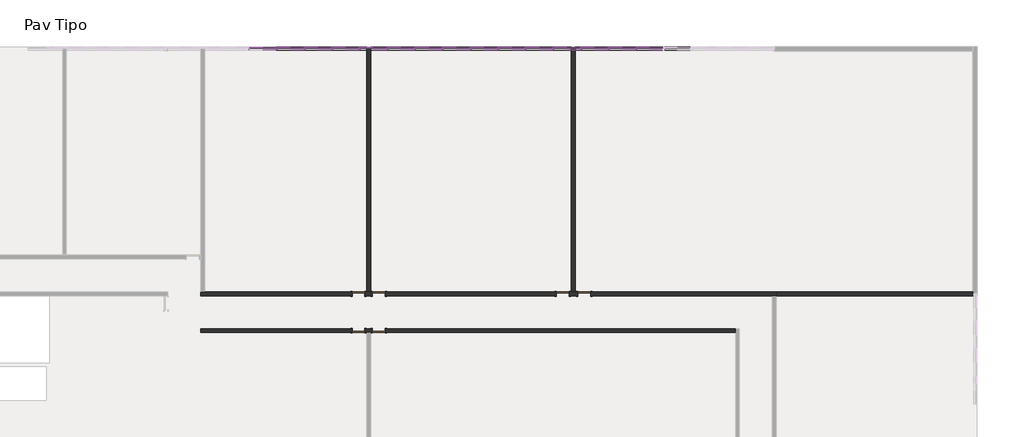
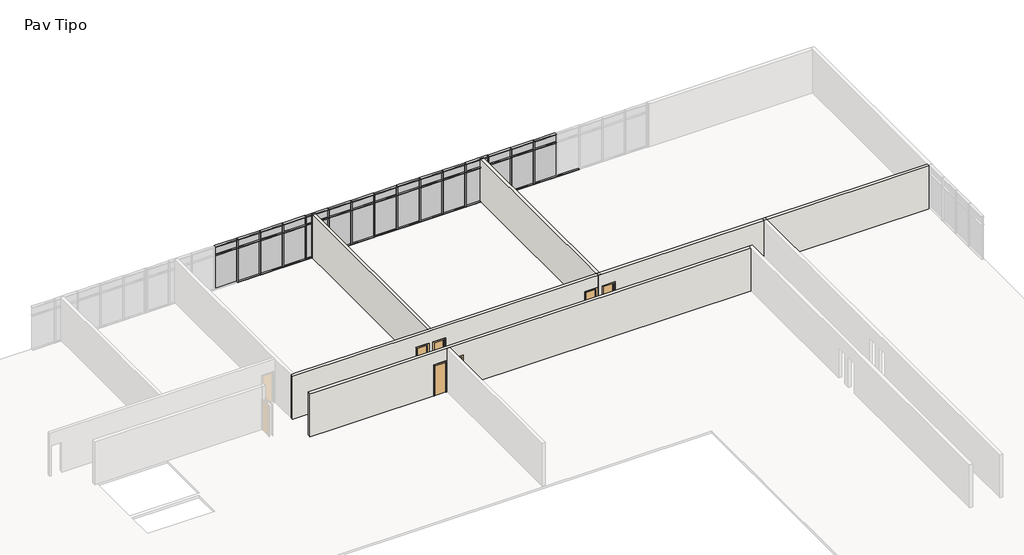
# One storey, part 11 of 12: 73 members, 30 plates, 6 doors, 5 walls.
"""IFC4 building model written with IfcOpenShell, lengths in millimetres."""

import ifcopenshell
import ifcopenshell.guid

model = None  # the IFC model being written
_history = None  # IfcOwnerHistory: only IFC2X3 demands one
_inside = {}  # id of a spatial element -> (the spatial element, [elements in it])
_under = {}  # id of a project, library or spatial element -> (it, [spatial elements below it])
_declared = {}  # id of a project -> (the project, [libraries it declares])
_typed = {}  # id of a type object -> (the type object, [elements of that type])
_made_of = {}  # id of a material, layer set ... -> (it, [elements and type objects made of it])


def new_model(schema):
    """Start an empty IFC model of exactly this schema.

    Asked for "IFC4X3", IfcOpenShell would pick the latest addendum, in which some entities
    have other attributes; the version numbers below select the first issue.
    IFC2X3 requires an IfcOwnerHistory on every rooted entity: one is made here for all.
    """
    global model, _history
    if schema == "IFC4X3":
        model = ifcopenshell.file(schema_version=(4, 3, 0, 0))
    else:
        model = ifcopenshell.file(schema=schema)
    _inside.clear()
    _under.clear()
    _declared.clear()
    _typed.clear()
    _made_of.clear()
    _history = None
    if model.schema == "IFC2X3":
        org = make("IfcOrganization", Name="unknown")
        user = make(
            "IfcPersonAndOrganization",
            ThePerson=make("IfcPerson", FamilyName="unknown"),
            TheOrganization=org,
        )
        app = make(
            "IfcApplication",
            ApplicationDeveloper=org,
            Version="unknown",
            ApplicationFullName="unknown",
            ApplicationIdentifier="unknown",
        )
        _history = make(
            "IfcOwnerHistory",
            OwningUser=user,
            OwningApplication=app,
            ChangeAction="ADDED",
            CreationDate=0,
        )
    return model


def make(cls, **values):
    """One entity of the class cls with the attributes given. An attribute that is None is left unset."""
    return model.create_entity(
        cls, **{name: value for name, value in values.items() if value is not None}
    )


def rooted(cls, **values):
    """An entity with a GlobalId (a new one), such as an element, a storey or a relation."""
    return make(cls, GlobalId=ifcopenshell.guid.new(), OwnerHistory=_history, **values)


def si_unit(unit_type, name, prefix=None):
    """IfcSIUnit, for example si_unit("LENGTHUNIT", "METRE", prefix="MILLI")."""
    return make("IfcSIUnit", UnitType=unit_type, Prefix=prefix, Name=name)


def assignment(units):
    """IfcUnitAssignment: the units of a project."""
    return None if units is None else make("IfcUnitAssignment", Units=units)


def point(xyz):
    """IfcCartesianPoint."""
    return None if xyz is None else make("IfcCartesianPoint", Coordinates=xyz)


def direction(xyz):
    """IfcDirection."""
    return None if xyz is None else make("IfcDirection", DirectionRatios=xyz)


def frame(location, z_axis=None, x_axis=None):
    """IfcAxis2Placement3D, a coordinate frame: its origin and axes. An axis left out is left unset."""
    return make(
        "IfcAxis2Placement3D",
        Location=point(location),
        Axis=direction(z_axis),
        RefDirection=direction(x_axis),
    )


def origin():
    """The frame at (0, 0, 0) with its axes left unset."""
    return frame((0.0, 0.0, 0.0))


def origin_with_axes():
    """The frame at (0, 0, 0) with the z axis (0, 0, 1) and the x axis (1, 0, 0) written out."""
    return frame((0.0, 0.0, 0.0), z_axis=(0.0, 0.0, 1.0), x_axis=(1.0, 0.0, 0.0))


def place(relative_to, where):
    """IfcLocalPlacement: puts the frame where relative to a parent placement (None: the world)."""
    return make(
        "IfcLocalPlacement", PlacementRelTo=relative_to, RelativePlacement=where
    )


def context(
    kind, dimensions, precision=None, world=None, true_north=None, identifier=None
):
    """IfcGeometricRepresentationContext, for example the 3D "Model" context."""
    return make(
        "IfcGeometricRepresentationContext",
        ContextIdentifier=identifier,
        ContextType=kind,
        CoordinateSpaceDimension=dimensions,
        Precision=precision,
        WorldCoordinateSystem=world,
        TrueNorth=true_north,
    )


def project(units=None, contexts=None):
    """IfcProject with its units and contexts."""
    return rooted(
        "IfcProject",
        Name="project",
        RepresentationContexts=contexts,
        UnitsInContext=assignment(units),
    )


def spatial(cls, under=None, at=None, **own):
    """A site, building, storey or space (cls), placed at a placement, below another one or the project."""
    s = rooted(cls, ObjectPlacement=at, **own)
    if under is not None:
        _under.setdefault(under.id(), (under, []))[1].append(s)
    return s


def polyline(points):
    """IfcPolyline through the points."""
    return make("IfcPolyline", Points=[point(p) for p in points])


def outline(outer, holes=None, kind="AREA"):
    """IfcArbitraryClosedProfileDef: a profile drawn as a closed curve; with holes, ...WithVoids."""
    if holes is None:
        return make("IfcArbitraryClosedProfileDef", ProfileType=kind, OuterCurve=outer)
    return make(
        "IfcArbitraryProfileDefWithVoids",
        ProfileType=kind,
        OuterCurve=outer,
        InnerCurves=holes,
    )


def extrude(swept, where, along, depth):
    """IfcExtrudedAreaSolid: the profile swept, set in the frame where, extruded along a direction by depth."""
    return make(
        "IfcExtrudedAreaSolid",
        SweptArea=swept,
        Position=where,
        ExtrudedDirection=direction(along),
        Depth=depth,
    )


def faces_of(points, faces, orient=None, outer=None):
    """IfcFace entities. A face is a list of loops; a loop is a list of indices into points, from 0.

    orient and outer hold one flag for each loop. By default every Orientation is true, the
    first loop of a face is its IfcFaceOuterBound and the others are IfcFaceBound.
    """
    made = []
    for i, loops in enumerate(faces):
        bounds = []
        for j, loop in enumerate(loops):
            is_outer = j == 0 if outer is None else outer[i][j]
            bounds.append(
                make(
                    "IfcFaceOuterBound" if is_outer else "IfcFaceBound",
                    Bound=make("IfcPolyLoop", Polygon=[points[k] for k in loop]),
                    Orientation=True if orient is None else orient[i][j],
                )
            )
        made.append(make("IfcFace", Bounds=bounds))
    return made


def faceted_brep(points, faces, orient=None, outer=None, voids=None):
    """IfcFacetedBrep: a solid bounded by flat faces; with voids (closed shells), ...WithVoids."""
    shared = [point(p) for p in points]
    hull = make("IfcClosedShell", CfsFaces=faces_of(shared, faces, orient, outer))
    if voids is None:
        return make("IfcFacetedBrep", Outer=hull)
    return make(
        "IfcFacetedBrepWithVoids",
        Outer=hull,
        Voids=[
            make(cls, CfsFaces=faces_of(shared, fs, o, b)) for cls, fs, o, b in voids
        ],
    )


def shape(context_of_items, identifier, shape_type, items):
    """IfcShapeRepresentation: the items that make up one representation, for example the "Body"."""
    return make(
        "IfcShapeRepresentation",
        ContextOfItems=context_of_items,
        RepresentationIdentifier=identifier,
        RepresentationType=shape_type,
        Items=items,
    )


def source(mapping_origin, context_of_items, identifier, shape_type, items):
    """IfcRepresentationMap: a shape defined once, which mapped items show again and again."""
    return make(
        "IfcRepresentationMap",
        MappingOrigin=mapping_origin,
        MappedRepresentation=shape(context_of_items, identifier, shape_type, items),
    )


def transform(
    local_origin,
    x_axis=None,
    y_axis=None,
    z_axis=None,
    scale=None,
    scale2=None,
    scale3=None,
    uniform=True,
):
    """IfcCartesianTransformationOperator3D, or its non-uniform kind. x_axis, y_axis, z_axis: its Axis1, 2, 3."""
    if uniform:
        return make(
            "IfcCartesianTransformationOperator3D",
            Axis1=direction(x_axis),
            Axis2=direction(y_axis),
            LocalOrigin=point(local_origin),
            Scale=scale,
            Axis3=direction(z_axis),
        )
    return make(
        "IfcCartesianTransformationOperator3DnonUniform",
        Axis1=direction(x_axis),
        Axis2=direction(y_axis),
        LocalOrigin=point(local_origin),
        Scale=scale,
        Axis3=direction(z_axis),
        Scale2=scale2,
        Scale3=scale3,
    )


def mapped(mapping_source, mapping_target):
    """IfcMappedItem: shows the shape of a source again, moved by a transform."""
    return make(
        "IfcMappedItem", MappingSource=mapping_source, MappingTarget=mapping_target
    )


def made_of(thing, what):
    """Note that an element or type object is made of a material, layer set ...; save() writes the relation."""
    if what is not None:
        _made_of.setdefault(what.id(), (what, []))[1].append(thing)
    return thing


def element(
    cls,
    number,
    at=None,
    inside=None,
    cuts=None,
    type_object=None,
    material=None,
    context=None,
    identifier="Body",
    shape_type=None,
    held_by="IfcProductDefinitionShape",
    body=None,
    shapes=None,
    **own,
):
    """One element of the class cls, such as IfcWall. Its Tag is "e" and its number.

    at: its placement. inside: the storey or other place that contains it. cuts: it is an
    opening in that element (IfcRelVoidsElement). A single representation is given by context,
    identifier, shape_type and body (its items); several are given by shapes. held_by: the class
    of the entity that holds the representations. save() writes the other relations.
    """
    e = rooted(cls, Tag="e%d" % number, ObjectPlacement=at, **own)
    if body is not None:
        shapes = [shape(context, identifier, shape_type, body)]
    if shapes is not None:
        e.Representation = make(held_by, Representations=shapes)
    if inside is not None:
        _inside.setdefault(inside.id(), (inside, []))[1].append(e)
    if cuts is not None:
        rooted(
            "IfcRelVoidsElement", RelatingBuildingElement=cuts, RelatedOpeningElement=e
        )
    if type_object is not None:
        _typed.setdefault(type_object.id(), (type_object, []))[1].append(e)
    return made_of(e, material)


def aggregate(whole, parts):
    """IfcRelAggregates: a whole, such as a stair, and the parts it consists of."""
    return rooted("IfcRelAggregates", RelatingObject=whole, RelatedObjects=parts)


def save(model, path):
    """Write the relations noted so far, then the file.

    IfcRelAggregates (storeys below a building ...), IfcRelContainedInSpatialStructure (elements
    in a storey), IfcRelDefinesByType, IfcRelAssociatesMaterial and IfcRelDeclares: one each for
    every whole, place, type object, material and project.
    """
    for whole, parts in _under.values():
        aggregate(whole, parts)
    for where, things in _inside.values():
        rooted(
            "IfcRelContainedInSpatialStructure",
            RelatedElements=things,
            RelatingStructure=where,
        )
    for kind, things in _typed.values():
        rooted("IfcRelDefinesByType", RelatedObjects=things, RelatingType=kind)
    for what, things in _made_of.values():
        rooted("IfcRelAssociatesMaterial", RelatedObjects=things, RelatingMaterial=what)
    for by, libraries in _declared.values():
        rooted("IfcRelDeclares", RelatingContext=by, RelatedDefinitions=libraries)
    model.write(path)


def m_single_flush_porta_70_94af1243(model_context):
    return source(origin(), model_context, "Body", "SweptSolid", [
        extrude(outline(polyline([(2176.0, -426.0), (0.0, -426.0), (0.0, -350.0), (2100.0, -350.0), (2100.0, 350.0), (0.0, 350.0), (0.0, 426.0), (2176.0, 426.0), (2176.0, -426.0)])), frame((0.0, 100.0, 0.0), z_axis=(0.0, 1.0, 0.0), x_axis=(0.0, 0.0, 1.0)), (0.0, 0.0, 1.0), 25.0),
        extrude(outline(polyline([(2176.0, 426.0), (2176.0, -426.0), (0.0, -426.0), (0.0, -350.0), (2100.0, -350.0), (2100.0, 350.0), (0.0, 350.0), (0.0, 426.0), (2176.0, 426.0)])), frame((0.0, -125.0, 0.0), z_axis=(0.0, 1.0, 0.0), x_axis=(0.0, 0.0, 1.0)), (0.0, 0.0, 1.0), 25.0),
        extrude(outline(polyline([(350.0, 49.0), (-350.0, 49.0), (-350.0, 100.0), (350.0, 100.0), (350.0, 49.0)])), origin_with_axes(), (0.0, 0.0, 1.0), 2100.0),
    ])


def m_single_flush_porta_70_b827da78(model_context):
    return source(origin(), model_context, "Body", "SweptSolid", [
        extrude(outline(polyline([(2176.0, -426.0), (0.0, -426.0), (0.0, -350.0), (2100.0, -350.0), (2100.0, 350.0), (0.0, 350.0), (0.0, 426.0), (2176.0, 426.0), (2176.0, -426.0)])), frame((0.0, -125.0, 0.0), z_axis=(0.0, 1.0, 0.0), x_axis=(0.0, 0.0, 1.0)), (0.0, 0.0, 1.0), 25.0),
        extrude(outline(polyline([(2176.0, 426.0), (2176.0, -426.0), (0.0, -426.0), (0.0, -350.0), (2100.0, -350.0), (2100.0, 350.0), (0.0, 350.0), (0.0, 426.0), (2176.0, 426.0)])), frame((0.0, 100.0, 0.0), z_axis=(0.0, 1.0, 0.0), x_axis=(0.0, 0.0, 1.0)), (0.0, 0.0, 1.0), 25.0),
        extrude(outline(polyline([(350.0, -49.0), (350.0, -100.0), (-350.0, -100.0), (-350.0, -49.0), (350.0, -49.0)])), origin_with_axes(), (0.0, 0.0, 1.0), 2100.0),
    ])


def rectangular_mullion_50_x_150mm_6225e4e3(model_context):
    return source(origin(), model_context, "Body", "SweptSolid", [
        extrude(outline(polyline([(25.0, 75.0), (25.0, -75.0), (-25.0, -75.0), (-25.0, 75.0), (25.0, 75.0)])), frame((0.0, 0.0, -2400.0), z_axis=(0.0, 0.0, 1.0), x_axis=(1.0, 0.0, 0.0)), (0.0, 0.0, 1.0), 2400.0),
    ])


def rectangular_mullion_50_x_150mm_5a145be0(model_context):
    return source(origin(), model_context, "Body", "SweptSolid", [
        extrude(outline(polyline([(0.0, 75.0), (0.0, -75.0), (-50.0, -75.0), (-50.0, 75.0), (0.0, 75.0)])), frame((0.0, 0.0, -1450.0), z_axis=(0.0, 0.0, 1.0), x_axis=(1.0, 0.0, 0.0)), (0.0, 0.0, 1.0), 1450.0),
    ])


def rectangular_mullion_50_x_150mm_f0154c62(model_context):
    return source(origin(), model_context, "Body", "SweptSolid", [
        extrude(outline(polyline([(25.0, 75.0), (25.0, -75.0), (-25.0, -75.0), (-25.0, 75.0), (25.0, 75.0)])), frame((0.0, 0.0, -1450.0), z_axis=(0.0, 0.0, 1.0), x_axis=(1.0, 0.0, 0.0)), (0.0, 0.0, 1.0), 1450.0),
    ])


def rectangular_mullion_50_x_150mm_68b3818a(model_context):
    return source(origin(), model_context, "Body", "SweptSolid", [
        extrude(outline(polyline([(25.0, 75.0), (25.0, -75.0), (-25.0, -75.0), (-25.0, 75.0), (25.0, 75.0)])), frame((0.0, 0.0, -600.0), z_axis=(0.0, 0.0, 1.0), x_axis=(1.0, 0.0, 0.0)), (0.0, 0.0, 1.0), 600.0),
    ])


def system_panel_glazed_8ab755ad(model_context):
    return source(origin(), model_context, "Body", "SweptSolid", [
        extrude(outline(polyline([(725.0, 24.5), (-725.0, 24.5), (-725.0, 49.5), (725.0, 49.5), (725.0, 24.5)])), origin_with_axes(), (0.0, 0.0, 1.0), 2325.0),
    ])


def system_panel_glazed_0c7632f4(model_context):
    return source(origin(), model_context, "Body", "SweptSolid", [
        extrude(outline(polyline([(725.0, 24.5), (-725.0, 24.5), (-725.0, 49.5), (725.0, 49.5), (725.0, 24.5)])), origin_with_axes(), (0.0, 0.0, 1.0), 525.0),
    ])


model = new_model("IFC4")

# Units and contexts
model_context = context("Model", 3, world=origin())
ifc_project = project(units=[si_unit("LENGTHUNIT", "METRE", prefix="MILLI")], contexts=[model_context])

# Site, building, storey
site = spatial("IfcSite", under=ifc_project)
building = spatial("IfcBuilding", under=site)
storey = spatial("IfcBuildingStorey", under=building, Name="Pav Tipo", Elevation=7000.0)

# Doors
placement = place(None, origin())
m_single_flush_porta_70_shape = m_single_flush_porta_70_94af1243(model_context)
element("IfcDoor", 1, ObjectType="M_Single-Flush : porta 70", at=placement, inside=storey, context=model_context, shape_type="MappedRepresentation", body=[
    mapped(m_single_flush_porta_70_shape, transform((19787.6359883, 34582.429968, 7000.0), x_axis=(1.0, 0.0, 0.0), y_axis=(0.0, 1.0, 0.0), z_axis=(0.0, 0.0, 1.0))),
])
element("IfcDoor", 2, ObjectType="M_Single-Flush : porta 70", at=placement, inside=storey, context=model_context, shape_type="MappedRepresentation", body=[
    mapped(m_single_flush_porta_70_shape, transform((30867.6359883, 34582.429968, 7000.0), x_axis=(1.0, 0.0, 0.0), y_axis=(0.0, 1.0, 0.0), z_axis=(0.0, 0.0, 1.0))),
])
element("IfcDoor", 3, ObjectType="M_Single-Flush : porta 70", at=placement, inside=storey, context=model_context, shape_type="MappedRepresentation", body=[
    mapped(m_single_flush_porta_70_shape, transform((20887.6359883, 32582.429968, 7000.0), x_axis=(-1.0, 0.0, 0.0), y_axis=(0.0, -1.0, 0.0), z_axis=(0.0, 0.0, 1.0))),
])
m_single_flush_porta_70_2_shape = m_single_flush_porta_70_b827da78(model_context)
element("IfcDoor", 4, ObjectType="M_Single-Flush : porta 70", at=placement, inside=storey, context=model_context, shape_type="MappedRepresentation", body=[
    mapped(m_single_flush_porta_70_2_shape, transform((20887.6359883, 34582.429968, 7000.0), x_axis=(-1.0, 0.0, 0.0), y_axis=(0.0, -1.0, 0.0), z_axis=(0.0, 0.0, 1.0))),
])
element("IfcDoor", 5, ObjectType="M_Single-Flush : porta 70", at=placement, inside=storey, context=model_context, shape_type="MappedRepresentation", body=[
    mapped(m_single_flush_porta_70_2_shape, transform((32027.6359883, 34582.429968, 7000.0), x_axis=(-1.0, 0.0, 0.0), y_axis=(0.0, -1.0, 0.0), z_axis=(0.0, 0.0, 1.0))),
])
element("IfcDoor", 6, ObjectType="M_Single-Flush : porta 70", at=placement, inside=storey, context=model_context, shape_type="MappedRepresentation", body=[
    mapped(m_single_flush_porta_70_2_shape, transform((19787.6359883, 32582.429968, 7000.0), x_axis=(1.0, 0.0, 0.0), y_axis=(0.0, 1.0, 0.0), z_axis=(0.0, 0.0, 1.0))),
])

# Members
rectangular_mullion_50_x_150mm_shape = rectangular_mullion_50_x_150mm_6225e4e3(model_context)
element("IfcMember", 7, ObjectType="Rectangular Mullion : 50 x 150mm", at=placement, inside=storey, context=model_context, shape_type="MappedRepresentation", body=[
    mapped(rectangular_mullion_50_x_150mm_shape, transform((15337.6359883, 47892.3438207, 7000.0), x_axis=(1.0, 0.0, 0.0), y_axis=(0.0, -1.0, 0.0), z_axis=(0.0, 0.0, -1.0))),
])
element("IfcMember", 8, ObjectType="Rectangular Mullion : 50 x 150mm", at=placement, inside=storey, context=model_context, shape_type="MappedRepresentation", body=[
    mapped(rectangular_mullion_50_x_150mm_shape, transform((16837.6359883, 47892.3438207, 7000.0), x_axis=(1.0, 0.0, 0.0), y_axis=(0.0, -1.0, 0.0), z_axis=(0.0, 0.0, -1.0))),
])
element("IfcMember", 9, ObjectType="Rectangular Mullion : 50 x 150mm", at=placement, inside=storey, context=model_context, shape_type="MappedRepresentation", body=[
    mapped(rectangular_mullion_50_x_150mm_shape, transform((18337.6359883, 47892.3438207, 7000.0), x_axis=(1.0, 0.0, 0.0), y_axis=(0.0, -1.0, 0.0), z_axis=(0.0, 0.0, -1.0))),
])
element("IfcMember", 10, ObjectType="Rectangular Mullion : 50 x 150mm", at=placement, inside=storey, context=model_context, shape_type="MappedRepresentation", body=[
    mapped(rectangular_mullion_50_x_150mm_shape, transform((19837.6359883, 47892.3438207, 7000.0), x_axis=(1.0, 0.0, 0.0), y_axis=(0.0, -1.0, 0.0), z_axis=(0.0, 0.0, -1.0))),
])
element("IfcMember", 11, ObjectType="Rectangular Mullion : 50 x 150mm", at=placement, inside=storey, context=model_context, shape_type="MappedRepresentation", body=[
    mapped(rectangular_mullion_50_x_150mm_shape, transform((21337.6359883, 47892.3438207, 7000.0), x_axis=(1.0, 0.0, 0.0), y_axis=(0.0, -1.0, 0.0), z_axis=(0.0, 0.0, -1.0))),
])
element("IfcMember", 12, ObjectType="Rectangular Mullion : 50 x 150mm", at=placement, inside=storey, context=model_context, shape_type="MappedRepresentation", body=[
    mapped(rectangular_mullion_50_x_150mm_shape, transform((22837.6359883, 47892.3438207, 7000.0), x_axis=(1.0, 0.0, 0.0), y_axis=(0.0, -1.0, 0.0), z_axis=(0.0, 0.0, -1.0))),
])
element("IfcMember", 13, ObjectType="Rectangular Mullion : 50 x 150mm", at=placement, inside=storey, context=model_context, shape_type="MappedRepresentation", body=[
    mapped(rectangular_mullion_50_x_150mm_shape, transform((24337.6359883, 47892.3438207, 7000.0), x_axis=(1.0, 0.0, 0.0), y_axis=(0.0, -1.0, 0.0), z_axis=(0.0, 0.0, -1.0))),
])
element("IfcMember", 14, ObjectType="Rectangular Mullion : 50 x 150mm", at=placement, inside=storey, context=model_context, shape_type="MappedRepresentation", body=[
    mapped(rectangular_mullion_50_x_150mm_shape, transform((25837.6359883, 47892.3438207, 7000.0), x_axis=(1.0, 0.0, 0.0), y_axis=(0.0, -1.0, 0.0), z_axis=(0.0, 0.0, -1.0))),
])
element("IfcMember", 15, ObjectType="Rectangular Mullion : 50 x 150mm", at=placement, inside=storey, context=model_context, shape_type="MappedRepresentation", body=[
    mapped(rectangular_mullion_50_x_150mm_shape, transform((27337.6359883, 47892.3438207, 7000.0), x_axis=(1.0, 0.0, 0.0), y_axis=(0.0, -1.0, 0.0), z_axis=(0.0, 0.0, -1.0))),
])
element("IfcMember", 16, ObjectType="Rectangular Mullion : 50 x 150mm", at=placement, inside=storey, context=model_context, shape_type="MappedRepresentation", body=[
    mapped(rectangular_mullion_50_x_150mm_shape, transform((28837.6359883, 47892.3438207, 7000.0), x_axis=(1.0, 0.0, 0.0), y_axis=(0.0, -1.0, 0.0), z_axis=(0.0, 0.0, -1.0))),
])
element("IfcMember", 17, ObjectType="Rectangular Mullion : 50 x 150mm", at=placement, inside=storey, context=model_context, shape_type="MappedRepresentation", body=[
    mapped(rectangular_mullion_50_x_150mm_shape, transform((30337.6359883, 47892.3438207, 7000.0), x_axis=(1.0, 0.0, 0.0), y_axis=(0.0, -1.0, 0.0), z_axis=(0.0, 0.0, -1.0))),
])
element("IfcMember", 18, ObjectType="Rectangular Mullion : 50 x 150mm", at=placement, inside=storey, context=model_context, shape_type="MappedRepresentation", body=[
    mapped(rectangular_mullion_50_x_150mm_shape, transform((31837.6359883, 47892.3438207, 7000.0), x_axis=(1.0, 0.0, 0.0), y_axis=(0.0, -1.0, 0.0), z_axis=(0.0, 0.0, -1.0))),
])
element("IfcMember", 19, ObjectType="Rectangular Mullion : 50 x 150mm", at=placement, inside=storey, context=model_context, shape_type="MappedRepresentation", body=[
    mapped(rectangular_mullion_50_x_150mm_shape, transform((33337.6359883, 47892.3438207, 7000.0), x_axis=(1.0, 0.0, 0.0), y_axis=(0.0, -1.0, 0.0), z_axis=(0.0, 0.0, -1.0))),
])
element("IfcMember", 20, ObjectType="Rectangular Mullion : 50 x 150mm", at=placement, inside=storey, context=model_context, shape_type="MappedRepresentation", body=[
    mapped(rectangular_mullion_50_x_150mm_shape, transform((34837.6359883, 47892.3438207, 7000.0), x_axis=(1.0, 0.0, 0.0), y_axis=(0.0, -1.0, 0.0), z_axis=(0.0, 0.0, -1.0))),
])
rectangular_mullion_50_x_150mm_2_shape = rectangular_mullion_50_x_150mm_5a145be0(model_context)
element("IfcMember", 21, ObjectType="Rectangular Mullion : 50 x 150mm", at=placement, inside=storey, context=model_context, shape_type="MappedRepresentation", body=[
    mapped(rectangular_mullion_50_x_150mm_2_shape, transform((15312.6359883, 47892.3438207, 10000.0), x_axis=(0.0, 0.0, 1.0), y_axis=(0.0, -1.0, 0.0), z_axis=(1.0, 0.0, 0.0))),
])
element("IfcMember", 22, ObjectType="Rectangular Mullion : 50 x 150mm", at=placement, inside=storey, context=model_context, shape_type="MappedRepresentation", body=[
    mapped(rectangular_mullion_50_x_150mm_2_shape, transform((16812.6359883, 47892.3438207, 10000.0), x_axis=(0.0, 0.0, 1.0), y_axis=(0.0, -1.0, 0.0), z_axis=(1.0, 0.0, 0.0))),
])
element("IfcMember", 23, ObjectType="Rectangular Mullion : 50 x 150mm", at=placement, inside=storey, context=model_context, shape_type="MappedRepresentation", body=[
    mapped(rectangular_mullion_50_x_150mm_2_shape, transform((18312.6359883, 47892.3438207, 10000.0), x_axis=(0.0, 0.0, 1.0), y_axis=(0.0, -1.0, 0.0), z_axis=(1.0, 0.0, 0.0))),
])
element("IfcMember", 24, ObjectType="Rectangular Mullion : 50 x 150mm", at=placement, inside=storey, context=model_context, shape_type="MappedRepresentation", body=[
    mapped(rectangular_mullion_50_x_150mm_2_shape, transform((19812.6359883, 47892.3438207, 10000.0), x_axis=(0.0, 0.0, 1.0), y_axis=(0.0, -1.0, 0.0), z_axis=(1.0, 0.0, 0.0))),
])
element("IfcMember", 25, ObjectType="Rectangular Mullion : 50 x 150mm", at=placement, inside=storey, context=model_context, shape_type="MappedRepresentation", body=[
    mapped(rectangular_mullion_50_x_150mm_2_shape, transform((21312.6359883, 47892.3438207, 10000.0), x_axis=(0.0, 0.0, 1.0), y_axis=(0.0, -1.0, 0.0), z_axis=(1.0, 0.0, 0.0))),
])
element("IfcMember", 26, ObjectType="Rectangular Mullion : 50 x 150mm", at=placement, inside=storey, context=model_context, shape_type="MappedRepresentation", body=[
    mapped(rectangular_mullion_50_x_150mm_2_shape, transform((22812.6359883, 47892.3438207, 10000.0), x_axis=(0.0, 0.0, 1.0), y_axis=(0.0, -1.0, 0.0), z_axis=(1.0, 0.0, 0.0))),
])
element("IfcMember", 27, ObjectType="Rectangular Mullion : 50 x 150mm", at=placement, inside=storey, context=model_context, shape_type="MappedRepresentation", body=[
    mapped(rectangular_mullion_50_x_150mm_2_shape, transform((24312.6359883, 47892.3438207, 10000.0), x_axis=(0.0, 0.0, 1.0), y_axis=(0.0, -1.0, 0.0), z_axis=(1.0, 0.0, 0.0))),
])
element("IfcMember", 28, ObjectType="Rectangular Mullion : 50 x 150mm", at=placement, inside=storey, context=model_context, shape_type="MappedRepresentation", body=[
    mapped(rectangular_mullion_50_x_150mm_2_shape, transform((25812.6359883, 47892.3438207, 10000.0), x_axis=(0.0, 0.0, 1.0), y_axis=(0.0, -1.0, 0.0), z_axis=(1.0, 0.0, 0.0))),
])
element("IfcMember", 29, ObjectType="Rectangular Mullion : 50 x 150mm", at=placement, inside=storey, context=model_context, shape_type="MappedRepresentation", body=[
    mapped(rectangular_mullion_50_x_150mm_2_shape, transform((27312.6359883, 47892.3438207, 10000.0), x_axis=(0.0, 0.0, 1.0), y_axis=(0.0, -1.0, 0.0), z_axis=(1.0, 0.0, 0.0))),
])
element("IfcMember", 30, ObjectType="Rectangular Mullion : 50 x 150mm", at=placement, inside=storey, context=model_context, shape_type="MappedRepresentation", body=[
    mapped(rectangular_mullion_50_x_150mm_2_shape, transform((28812.6359883, 47892.3438207, 10000.0), x_axis=(0.0, 0.0, 1.0), y_axis=(0.0, -1.0, 0.0), z_axis=(1.0, 0.0, 0.0))),
])
element("IfcMember", 31, ObjectType="Rectangular Mullion : 50 x 150mm", at=placement, inside=storey, context=model_context, shape_type="MappedRepresentation", body=[
    mapped(rectangular_mullion_50_x_150mm_2_shape, transform((30312.6359883, 47892.3438207, 10000.0), x_axis=(0.0, 0.0, 1.0), y_axis=(0.0, -1.0, 0.0), z_axis=(1.0, 0.0, 0.0))),
])
element("IfcMember", 32, ObjectType="Rectangular Mullion : 50 x 150mm", at=placement, inside=storey, context=model_context, shape_type="MappedRepresentation", body=[
    mapped(rectangular_mullion_50_x_150mm_2_shape, transform((31812.6359883, 47892.3438207, 10000.0), x_axis=(0.0, 0.0, 1.0), y_axis=(0.0, -1.0, 0.0), z_axis=(1.0, 0.0, 0.0))),
])
element("IfcMember", 33, ObjectType="Rectangular Mullion : 50 x 150mm", at=placement, inside=storey, context=model_context, shape_type="MappedRepresentation", body=[
    mapped(rectangular_mullion_50_x_150mm_2_shape, transform((33312.6359883, 47892.3438207, 10000.0), x_axis=(0.0, 0.0, 1.0), y_axis=(0.0, -1.0, 0.0), z_axis=(1.0, 0.0, 0.0))),
])
element("IfcMember", 34, ObjectType="Rectangular Mullion : 50 x 150mm", at=placement, inside=storey, context=model_context, shape_type="MappedRepresentation", body=[
    mapped(rectangular_mullion_50_x_150mm_2_shape, transform((34812.6359883, 47892.3438207, 10000.0), x_axis=(0.0, 0.0, 1.0), y_axis=(0.0, -1.0, 0.0), z_axis=(1.0, 0.0, 0.0))),
])
element("IfcMember", 35, ObjectType="Rectangular Mullion : 50 x 150mm", at=placement, inside=storey, context=model_context, shape_type="MappedRepresentation", body=[
    mapped(rectangular_mullion_50_x_150mm_2_shape, transform((36312.6359883, 47892.3438207, 10000.0), x_axis=(0.0, 0.0, 1.0), y_axis=(0.0, -1.0, 0.0), z_axis=(1.0, 0.0, 0.0))),
])
element("IfcMember", 36, ObjectType="Rectangular Mullion : 50 x 150mm", at=placement, inside=storey, context=model_context, shape_type="MappedRepresentation", body=[
    mapped(rectangular_mullion_50_x_150mm_2_shape, transform((15362.6359883, 47892.3438207, 7000.0), x_axis=(0.0, 0.0, -1.0), y_axis=(0.0, -1.0, 0.0), z_axis=(-1.0, 0.0, 0.0))),
])
element("IfcMember", 37, ObjectType="Rectangular Mullion : 50 x 150mm", at=placement, inside=storey, context=model_context, shape_type="MappedRepresentation", body=[
    mapped(rectangular_mullion_50_x_150mm_2_shape, transform((16862.6359883, 47892.3438207, 7000.0), x_axis=(0.0, 0.0, -1.0), y_axis=(0.0, -1.0, 0.0), z_axis=(-1.0, 0.0, 0.0))),
])
element("IfcMember", 38, ObjectType="Rectangular Mullion : 50 x 150mm", at=placement, inside=storey, context=model_context, shape_type="MappedRepresentation", body=[
    mapped(rectangular_mullion_50_x_150mm_2_shape, transform((18362.6359883, 47892.3438207, 7000.0), x_axis=(0.0, 0.0, -1.0), y_axis=(0.0, -1.0, 0.0), z_axis=(-1.0, 0.0, 0.0))),
])
element("IfcMember", 39, ObjectType="Rectangular Mullion : 50 x 150mm", at=placement, inside=storey, context=model_context, shape_type="MappedRepresentation", body=[
    mapped(rectangular_mullion_50_x_150mm_2_shape, transform((19862.6359883, 47892.3438207, 7000.0), x_axis=(0.0, 0.0, -1.0), y_axis=(0.0, -1.0, 0.0), z_axis=(-1.0, 0.0, 0.0))),
])
element("IfcMember", 40, ObjectType="Rectangular Mullion : 50 x 150mm", at=placement, inside=storey, context=model_context, shape_type="MappedRepresentation", body=[
    mapped(rectangular_mullion_50_x_150mm_2_shape, transform((21362.6359883, 47892.3438207, 7000.0), x_axis=(0.0, 0.0, -1.0), y_axis=(0.0, -1.0, 0.0), z_axis=(-1.0, 0.0, 0.0))),
])
element("IfcMember", 41, ObjectType="Rectangular Mullion : 50 x 150mm", at=placement, inside=storey, context=model_context, shape_type="MappedRepresentation", body=[
    mapped(rectangular_mullion_50_x_150mm_2_shape, transform((22862.6359883, 47892.3438207, 7000.0), x_axis=(0.0, 0.0, -1.0), y_axis=(0.0, -1.0, 0.0), z_axis=(-1.0, 0.0, 0.0))),
])
element("IfcMember", 42, ObjectType="Rectangular Mullion : 50 x 150mm", at=placement, inside=storey, context=model_context, shape_type="MappedRepresentation", body=[
    mapped(rectangular_mullion_50_x_150mm_2_shape, transform((24362.6359883, 47892.3438207, 7000.0), x_axis=(0.0, 0.0, -1.0), y_axis=(0.0, -1.0, 0.0), z_axis=(-1.0, 0.0, 0.0))),
])
element("IfcMember", 43, ObjectType="Rectangular Mullion : 50 x 150mm", at=placement, inside=storey, context=model_context, shape_type="MappedRepresentation", body=[
    mapped(rectangular_mullion_50_x_150mm_2_shape, transform((25862.6359883, 47892.3438207, 7000.0), x_axis=(0.0, 0.0, -1.0), y_axis=(0.0, -1.0, 0.0), z_axis=(-1.0, 0.0, 0.0))),
])
element("IfcMember", 44, ObjectType="Rectangular Mullion : 50 x 150mm", at=placement, inside=storey, context=model_context, shape_type="MappedRepresentation", body=[
    mapped(rectangular_mullion_50_x_150mm_2_shape, transform((27362.6359883, 47892.3438207, 7000.0), x_axis=(0.0, 0.0, -1.0), y_axis=(0.0, -1.0, 0.0), z_axis=(-1.0, 0.0, 0.0))),
])
element("IfcMember", 45, ObjectType="Rectangular Mullion : 50 x 150mm", at=placement, inside=storey, context=model_context, shape_type="MappedRepresentation", body=[
    mapped(rectangular_mullion_50_x_150mm_2_shape, transform((28862.6359883, 47892.3438207, 7000.0), x_axis=(0.0, 0.0, -1.0), y_axis=(0.0, -1.0, 0.0), z_axis=(-1.0, 0.0, 0.0))),
])
element("IfcMember", 46, ObjectType="Rectangular Mullion : 50 x 150mm", at=placement, inside=storey, context=model_context, shape_type="MappedRepresentation", body=[
    mapped(rectangular_mullion_50_x_150mm_2_shape, transform((30362.6359883, 47892.3438207, 7000.0), x_axis=(0.0, 0.0, -1.0), y_axis=(0.0, -1.0, 0.0), z_axis=(-1.0, 0.0, 0.0))),
])
element("IfcMember", 47, ObjectType="Rectangular Mullion : 50 x 150mm", at=placement, inside=storey, context=model_context, shape_type="MappedRepresentation", body=[
    mapped(rectangular_mullion_50_x_150mm_2_shape, transform((31862.6359883, 47892.3438207, 7000.0), x_axis=(0.0, 0.0, -1.0), y_axis=(0.0, -1.0, 0.0), z_axis=(-1.0, 0.0, 0.0))),
])
element("IfcMember", 48, ObjectType="Rectangular Mullion : 50 x 150mm", at=placement, inside=storey, context=model_context, shape_type="MappedRepresentation", body=[
    mapped(rectangular_mullion_50_x_150mm_2_shape, transform((33362.6359883, 47892.3438207, 7000.0), x_axis=(0.0, 0.0, -1.0), y_axis=(0.0, -1.0, 0.0), z_axis=(-1.0, 0.0, 0.0))),
])
element("IfcMember", 49, ObjectType="Rectangular Mullion : 50 x 150mm", at=placement, inside=storey, context=model_context, shape_type="MappedRepresentation", body=[
    mapped(rectangular_mullion_50_x_150mm_2_shape, transform((34862.6359883, 47892.3438207, 7000.0), x_axis=(0.0, 0.0, -1.0), y_axis=(0.0, -1.0, 0.0), z_axis=(-1.0, 0.0, 0.0))),
])
element("IfcMember", 50, ObjectType="Rectangular Mullion : 50 x 150mm", at=placement, inside=storey, context=model_context, shape_type="MappedRepresentation", body=[
    mapped(rectangular_mullion_50_x_150mm_2_shape, transform((36362.6359883, 47892.3438207, 7000.0), x_axis=(0.0, 0.0, -1.0), y_axis=(0.0, -1.0, 0.0), z_axis=(-1.0, 0.0, 0.0))),
])
rectangular_mullion_50_x_150mm_3_shape = rectangular_mullion_50_x_150mm_f0154c62(model_context)
element("IfcMember", 51, ObjectType="Rectangular Mullion : 50 x 150mm", at=placement, inside=storey, context=model_context, shape_type="MappedRepresentation", body=[
    mapped(rectangular_mullion_50_x_150mm_3_shape, transform((15312.6359883, 47892.3438207, 9400.0), x_axis=(0.0, 0.0, 1.0), y_axis=(0.0, -1.0, 0.0), z_axis=(1.0, 0.0, 0.0))),
])
element("IfcMember", 52, ObjectType="Rectangular Mullion : 50 x 150mm", at=placement, inside=storey, context=model_context, shape_type="MappedRepresentation", body=[
    mapped(rectangular_mullion_50_x_150mm_3_shape, transform((16812.6359883, 47892.3438207, 9400.0), x_axis=(0.0, 0.0, 1.0), y_axis=(0.0, -1.0, 0.0), z_axis=(1.0, 0.0, 0.0))),
])
element("IfcMember", 53, ObjectType="Rectangular Mullion : 50 x 150mm", at=placement, inside=storey, context=model_context, shape_type="MappedRepresentation", body=[
    mapped(rectangular_mullion_50_x_150mm_3_shape, transform((18312.6359883, 47892.3438207, 9400.0), x_axis=(0.0, 0.0, 1.0), y_axis=(0.0, -1.0, 0.0), z_axis=(1.0, 0.0, 0.0))),
])
element("IfcMember", 54, ObjectType="Rectangular Mullion : 50 x 150mm", at=placement, inside=storey, context=model_context, shape_type="MappedRepresentation", body=[
    mapped(rectangular_mullion_50_x_150mm_3_shape, transform((19812.6359883, 47892.3438207, 9400.0), x_axis=(0.0, 0.0, 1.0), y_axis=(0.0, -1.0, 0.0), z_axis=(1.0, 0.0, 0.0))),
])
element("IfcMember", 55, ObjectType="Rectangular Mullion : 50 x 150mm", at=placement, inside=storey, context=model_context, shape_type="MappedRepresentation", body=[
    mapped(rectangular_mullion_50_x_150mm_3_shape, transform((21312.6359883, 47892.3438207, 9400.0), x_axis=(0.0, 0.0, 1.0), y_axis=(0.0, -1.0, 0.0), z_axis=(1.0, 0.0, 0.0))),
])
element("IfcMember", 56, ObjectType="Rectangular Mullion : 50 x 150mm", at=placement, inside=storey, context=model_context, shape_type="MappedRepresentation", body=[
    mapped(rectangular_mullion_50_x_150mm_3_shape, transform((22812.6359883, 47892.3438207, 9400.0), x_axis=(0.0, 0.0, 1.0), y_axis=(0.0, -1.0, 0.0), z_axis=(1.0, 0.0, 0.0))),
])
element("IfcMember", 57, ObjectType="Rectangular Mullion : 50 x 150mm", at=placement, inside=storey, context=model_context, shape_type="MappedRepresentation", body=[
    mapped(rectangular_mullion_50_x_150mm_3_shape, transform((24312.6359883, 47892.3438207, 9400.0), x_axis=(0.0, 0.0, 1.0), y_axis=(0.0, -1.0, 0.0), z_axis=(1.0, 0.0, 0.0))),
])
element("IfcMember", 58, ObjectType="Rectangular Mullion : 50 x 150mm", at=placement, inside=storey, context=model_context, shape_type="MappedRepresentation", body=[
    mapped(rectangular_mullion_50_x_150mm_3_shape, transform((25812.6359883, 47892.3438207, 9400.0), x_axis=(0.0, 0.0, 1.0), y_axis=(0.0, -1.0, 0.0), z_axis=(1.0, 0.0, 0.0))),
])
element("IfcMember", 59, ObjectType="Rectangular Mullion : 50 x 150mm", at=placement, inside=storey, context=model_context, shape_type="MappedRepresentation", body=[
    mapped(rectangular_mullion_50_x_150mm_3_shape, transform((27312.6359883, 47892.3438207, 9400.0), x_axis=(0.0, 0.0, 1.0), y_axis=(0.0, -1.0, 0.0), z_axis=(1.0, 0.0, 0.0))),
])
element("IfcMember", 60, ObjectType="Rectangular Mullion : 50 x 150mm", at=placement, inside=storey, context=model_context, shape_type="MappedRepresentation", body=[
    mapped(rectangular_mullion_50_x_150mm_3_shape, transform((28812.6359883, 47892.3438207, 9400.0), x_axis=(0.0, 0.0, 1.0), y_axis=(0.0, -1.0, 0.0), z_axis=(1.0, 0.0, 0.0))),
])
element("IfcMember", 61, ObjectType="Rectangular Mullion : 50 x 150mm", at=placement, inside=storey, context=model_context, shape_type="MappedRepresentation", body=[
    mapped(rectangular_mullion_50_x_150mm_3_shape, transform((30312.6359883, 47892.3438207, 9400.0), x_axis=(0.0, 0.0, 1.0), y_axis=(0.0, -1.0, 0.0), z_axis=(1.0, 0.0, 0.0))),
])
element("IfcMember", 62, ObjectType="Rectangular Mullion : 50 x 150mm", at=placement, inside=storey, context=model_context, shape_type="MappedRepresentation", body=[
    mapped(rectangular_mullion_50_x_150mm_3_shape, transform((31812.6359883, 47892.3438207, 9400.0), x_axis=(0.0, 0.0, 1.0), y_axis=(0.0, -1.0, 0.0), z_axis=(1.0, 0.0, 0.0))),
])
element("IfcMember", 63, ObjectType="Rectangular Mullion : 50 x 150mm", at=placement, inside=storey, context=model_context, shape_type="MappedRepresentation", body=[
    mapped(rectangular_mullion_50_x_150mm_3_shape, transform((33312.6359883, 47892.3438207, 9400.0), x_axis=(0.0, 0.0, 1.0), y_axis=(0.0, -1.0, 0.0), z_axis=(1.0, 0.0, 0.0))),
])
element("IfcMember", 64, ObjectType="Rectangular Mullion : 50 x 150mm", at=placement, inside=storey, context=model_context, shape_type="MappedRepresentation", body=[
    mapped(rectangular_mullion_50_x_150mm_3_shape, transform((34812.6359883, 47892.3438207, 9400.0), x_axis=(0.0, 0.0, 1.0), y_axis=(0.0, -1.0, 0.0), z_axis=(1.0, 0.0, 0.0))),
])
element("IfcMember", 65, ObjectType="Rectangular Mullion : 50 x 150mm", at=placement, inside=storey, context=model_context, shape_type="MappedRepresentation", body=[
    mapped(rectangular_mullion_50_x_150mm_3_shape, transform((36312.6359883, 47892.3438207, 9400.0), x_axis=(0.0, 0.0, 1.0), y_axis=(0.0, -1.0, 0.0), z_axis=(1.0, 0.0, 0.0))),
])
rectangular_mullion_50_x_150mm_4_shape = rectangular_mullion_50_x_150mm_68b3818a(model_context)
element("IfcMember", 66, ObjectType="Rectangular Mullion : 50 x 150mm", at=placement, inside=storey, context=model_context, shape_type="MappedRepresentation", body=[
    mapped(rectangular_mullion_50_x_150mm_4_shape, transform((15337.6359883, 47892.3438207, 9400.0), x_axis=(1.0, 0.0, 0.0), y_axis=(0.0, -1.0, 0.0), z_axis=(0.0, 0.0, -1.0))),
])
element("IfcMember", 67, ObjectType="Rectangular Mullion : 50 x 150mm", at=placement, inside=storey, context=model_context, shape_type="MappedRepresentation", body=[
    mapped(rectangular_mullion_50_x_150mm_4_shape, transform((16837.6359883, 47892.3438207, 9400.0), x_axis=(1.0, 0.0, 0.0), y_axis=(0.0, -1.0, 0.0), z_axis=(0.0, 0.0, -1.0))),
])
element("IfcMember", 68, ObjectType="Rectangular Mullion : 50 x 150mm", at=placement, inside=storey, context=model_context, shape_type="MappedRepresentation", body=[
    mapped(rectangular_mullion_50_x_150mm_4_shape, transform((18337.6359883, 47892.3438207, 9400.0), x_axis=(1.0, 0.0, 0.0), y_axis=(0.0, -1.0, 0.0), z_axis=(0.0, 0.0, -1.0))),
])
element("IfcMember", 69, ObjectType="Rectangular Mullion : 50 x 150mm", at=placement, inside=storey, context=model_context, shape_type="MappedRepresentation", body=[
    mapped(rectangular_mullion_50_x_150mm_4_shape, transform((19837.6359883, 47892.3438207, 9400.0), x_axis=(1.0, 0.0, 0.0), y_axis=(0.0, -1.0, 0.0), z_axis=(0.0, 0.0, -1.0))),
])
element("IfcMember", 70, ObjectType="Rectangular Mullion : 50 x 150mm", at=placement, inside=storey, context=model_context, shape_type="MappedRepresentation", body=[
    mapped(rectangular_mullion_50_x_150mm_4_shape, transform((21337.6359883, 47892.3438207, 9400.0), x_axis=(1.0, 0.0, 0.0), y_axis=(0.0, -1.0, 0.0), z_axis=(0.0, 0.0, -1.0))),
])
element("IfcMember", 71, ObjectType="Rectangular Mullion : 50 x 150mm", at=placement, inside=storey, context=model_context, shape_type="MappedRepresentation", body=[
    mapped(rectangular_mullion_50_x_150mm_4_shape, transform((22837.6359883, 47892.3438207, 9400.0), x_axis=(1.0, 0.0, 0.0), y_axis=(0.0, -1.0, 0.0), z_axis=(0.0, 0.0, -1.0))),
])
element("IfcMember", 72, ObjectType="Rectangular Mullion : 50 x 150mm", at=placement, inside=storey, context=model_context, shape_type="MappedRepresentation", body=[
    mapped(rectangular_mullion_50_x_150mm_4_shape, transform((24337.6359883, 47892.3438207, 9400.0), x_axis=(1.0, 0.0, 0.0), y_axis=(0.0, -1.0, 0.0), z_axis=(0.0, 0.0, -1.0))),
])
element("IfcMember", 73, ObjectType="Rectangular Mullion : 50 x 150mm", at=placement, inside=storey, context=model_context, shape_type="MappedRepresentation", body=[
    mapped(rectangular_mullion_50_x_150mm_4_shape, transform((25837.6359883, 47892.3438207, 9400.0), x_axis=(1.0, 0.0, 0.0), y_axis=(0.0, -1.0, 0.0), z_axis=(0.0, 0.0, -1.0))),
])
element("IfcMember", 74, ObjectType="Rectangular Mullion : 50 x 150mm", at=placement, inside=storey, context=model_context, shape_type="MappedRepresentation", body=[
    mapped(rectangular_mullion_50_x_150mm_4_shape, transform((27337.6359883, 47892.3438207, 9400.0), x_axis=(1.0, 0.0, 0.0), y_axis=(0.0, -1.0, 0.0), z_axis=(0.0, 0.0, -1.0))),
])
element("IfcMember", 75, ObjectType="Rectangular Mullion : 50 x 150mm", at=placement, inside=storey, context=model_context, shape_type="MappedRepresentation", body=[
    mapped(rectangular_mullion_50_x_150mm_4_shape, transform((28837.6359883, 47892.3438207, 9400.0), x_axis=(1.0, 0.0, 0.0), y_axis=(0.0, -1.0, 0.0), z_axis=(0.0, 0.0, -1.0))),
])
element("IfcMember", 76, ObjectType="Rectangular Mullion : 50 x 150mm", at=placement, inside=storey, context=model_context, shape_type="MappedRepresentation", body=[
    mapped(rectangular_mullion_50_x_150mm_4_shape, transform((30337.6359883, 47892.3438207, 9400.0), x_axis=(1.0, 0.0, 0.0), y_axis=(0.0, -1.0, 0.0), z_axis=(0.0, 0.0, -1.0))),
])
element("IfcMember", 77, ObjectType="Rectangular Mullion : 50 x 150mm", at=placement, inside=storey, context=model_context, shape_type="MappedRepresentation", body=[
    mapped(rectangular_mullion_50_x_150mm_4_shape, transform((31837.6359883, 47892.3438207, 9400.0), x_axis=(1.0, 0.0, 0.0), y_axis=(0.0, -1.0, 0.0), z_axis=(0.0, 0.0, -1.0))),
])
element("IfcMember", 78, ObjectType="Rectangular Mullion : 50 x 150mm", at=placement, inside=storey, context=model_context, shape_type="MappedRepresentation", body=[
    mapped(rectangular_mullion_50_x_150mm_4_shape, transform((33337.6359883, 47892.3438207, 9400.0), x_axis=(1.0, 0.0, 0.0), y_axis=(0.0, -1.0, 0.0), z_axis=(0.0, 0.0, -1.0))),
])
element("IfcMember", 79, ObjectType="Rectangular Mullion : 50 x 150mm", at=placement, inside=storey, context=model_context, shape_type="MappedRepresentation", body=[
    mapped(rectangular_mullion_50_x_150mm_4_shape, transform((34837.6359883, 47892.3438207, 9400.0), x_axis=(1.0, 0.0, 0.0), y_axis=(0.0, -1.0, 0.0), z_axis=(0.0, 0.0, -1.0))),
])

# Plates
system_panel_glazed_shape = system_panel_glazed_8ab755ad(model_context)
element("IfcPlate", 80, ObjectType="System Panel : Glazed", at=placement, inside=storey, context=model_context, shape_type="MappedRepresentation", body=[
    mapped(system_panel_glazed_shape, transform((14587.6359883, 47892.3438207, 7050.0), x_axis=(1.0, 0.0, 0.0), y_axis=(0.0, 1.0, 0.0), z_axis=(0.0, 0.0, 1.0))),
])
element("IfcPlate", 81, ObjectType="System Panel : Glazed", at=placement, inside=storey, context=model_context, shape_type="MappedRepresentation", body=[
    mapped(system_panel_glazed_shape, transform((16087.6359883, 47892.3438207, 7050.0), x_axis=(1.0, 0.0, 0.0), y_axis=(0.0, 1.0, 0.0), z_axis=(0.0, 0.0, 1.0))),
])
element("IfcPlate", 82, ObjectType="System Panel : Glazed", at=placement, inside=storey, context=model_context, shape_type="MappedRepresentation", body=[
    mapped(system_panel_glazed_shape, transform((17587.6359883, 47892.3438207, 7050.0), x_axis=(1.0, 0.0, 0.0), y_axis=(0.0, 1.0, 0.0), z_axis=(0.0, 0.0, 1.0))),
])
element("IfcPlate", 83, ObjectType="System Panel : Glazed", at=placement, inside=storey, context=model_context, shape_type="MappedRepresentation", body=[
    mapped(system_panel_glazed_shape, transform((19087.6359883, 47892.3438207, 7050.0), x_axis=(1.0, 0.0, 0.0), y_axis=(0.0, 1.0, 0.0), z_axis=(0.0, 0.0, 1.0))),
])
element("IfcPlate", 84, ObjectType="System Panel : Glazed", at=placement, inside=storey, context=model_context, shape_type="MappedRepresentation", body=[
    mapped(system_panel_glazed_shape, transform((20587.6359883, 47892.3438207, 7050.0), x_axis=(1.0, 0.0, 0.0), y_axis=(0.0, 1.0, 0.0), z_axis=(0.0, 0.0, 1.0))),
])
element("IfcPlate", 85, ObjectType="System Panel : Glazed", at=placement, inside=storey, context=model_context, shape_type="MappedRepresentation", body=[
    mapped(system_panel_glazed_shape, transform((22087.6359883, 47892.3438207, 7050.0), x_axis=(1.0, 0.0, 0.0), y_axis=(0.0, 1.0, 0.0), z_axis=(0.0, 0.0, 1.0))),
])
element("IfcPlate", 86, ObjectType="System Panel : Glazed", at=placement, inside=storey, context=model_context, shape_type="MappedRepresentation", body=[
    mapped(system_panel_glazed_shape, transform((23587.6359883, 47892.3438207, 7050.0), x_axis=(1.0, 0.0, 0.0), y_axis=(0.0, 1.0, 0.0), z_axis=(0.0, 0.0, 1.0))),
])
element("IfcPlate", 87, ObjectType="System Panel : Glazed", at=placement, inside=storey, context=model_context, shape_type="MappedRepresentation", body=[
    mapped(system_panel_glazed_shape, transform((25087.6359883, 47892.3438207, 7050.0), x_axis=(1.0, 0.0, 0.0), y_axis=(0.0, 1.0, 0.0), z_axis=(0.0, 0.0, 1.0))),
])
element("IfcPlate", 88, ObjectType="System Panel : Glazed", at=placement, inside=storey, context=model_context, shape_type="MappedRepresentation", body=[
    mapped(system_panel_glazed_shape, transform((26587.6359883, 47892.3438207, 7050.0), x_axis=(1.0, 0.0, 0.0), y_axis=(0.0, 1.0, 0.0), z_axis=(0.0, 0.0, 1.0))),
])
element("IfcPlate", 89, ObjectType="System Panel : Glazed", at=placement, inside=storey, context=model_context, shape_type="MappedRepresentation", body=[
    mapped(system_panel_glazed_shape, transform((28087.6359883, 47892.3438207, 7050.0), x_axis=(1.0, 0.0, 0.0), y_axis=(0.0, 1.0, 0.0), z_axis=(0.0, 0.0, 1.0))),
])
element("IfcPlate", 90, ObjectType="System Panel : Glazed", at=placement, inside=storey, context=model_context, shape_type="MappedRepresentation", body=[
    mapped(system_panel_glazed_shape, transform((29587.6359883, 47892.3438207, 7050.0), x_axis=(1.0, 0.0, 0.0), y_axis=(0.0, 1.0, 0.0), z_axis=(0.0, 0.0, 1.0))),
])
element("IfcPlate", 91, ObjectType="System Panel : Glazed", at=placement, inside=storey, context=model_context, shape_type="MappedRepresentation", body=[
    mapped(system_panel_glazed_shape, transform((31087.6359883, 47892.3438207, 7050.0), x_axis=(1.0, 0.0, 0.0), y_axis=(0.0, 1.0, 0.0), z_axis=(0.0, 0.0, 1.0))),
])
element("IfcPlate", 92, ObjectType="System Panel : Glazed", at=placement, inside=storey, context=model_context, shape_type="MappedRepresentation", body=[
    mapped(system_panel_glazed_shape, transform((32587.6359883, 47892.3438207, 7050.0), x_axis=(1.0, 0.0, 0.0), y_axis=(0.0, 1.0, 0.0), z_axis=(0.0, 0.0, 1.0))),
])
element("IfcPlate", 93, ObjectType="System Panel : Glazed", at=placement, inside=storey, context=model_context, shape_type="MappedRepresentation", body=[
    mapped(system_panel_glazed_shape, transform((34087.6359883, 47892.3438207, 7050.0), x_axis=(1.0, 0.0, 0.0), y_axis=(0.0, 1.0, 0.0), z_axis=(0.0, 0.0, 1.0))),
])
element("IfcPlate", 94, ObjectType="System Panel : Glazed", at=placement, inside=storey, context=model_context, shape_type="MappedRepresentation", body=[
    mapped(system_panel_glazed_shape, transform((35587.6359883, 47892.3438207, 7050.0), x_axis=(1.0, 0.0, 0.0), y_axis=(0.0, 1.0, 0.0), z_axis=(0.0, 0.0, 1.0))),
])
system_panel_glazed_2_shape = system_panel_glazed_0c7632f4(model_context)
element("IfcPlate", 95, ObjectType="System Panel : Glazed", at=placement, inside=storey, context=model_context, shape_type="MappedRepresentation", body=[
    mapped(system_panel_glazed_2_shape, transform((14587.6359883, 47892.3438207, 9425.0), x_axis=(1.0, 0.0, 0.0), y_axis=(0.0, 1.0, 0.0), z_axis=(0.0, 0.0, 1.0))),
])
element("IfcPlate", 96, ObjectType="System Panel : Glazed", at=placement, inside=storey, context=model_context, shape_type="MappedRepresentation", body=[
    mapped(system_panel_glazed_2_shape, transform((16087.6359883, 47892.3438207, 9425.0), x_axis=(1.0, 0.0, 0.0), y_axis=(0.0, 1.0, 0.0), z_axis=(0.0, 0.0, 1.0))),
])
element("IfcPlate", 97, ObjectType="System Panel : Glazed", at=placement, inside=storey, context=model_context, shape_type="MappedRepresentation", body=[
    mapped(system_panel_glazed_2_shape, transform((17587.6359883, 47892.3438207, 9425.0), x_axis=(1.0, 0.0, 0.0), y_axis=(0.0, 1.0, 0.0), z_axis=(0.0, 0.0, 1.0))),
])
element("IfcPlate", 98, ObjectType="System Panel : Glazed", at=placement, inside=storey, context=model_context, shape_type="MappedRepresentation", body=[
    mapped(system_panel_glazed_2_shape, transform((19087.6359883, 47892.3438207, 9425.0), x_axis=(1.0, 0.0, 0.0), y_axis=(0.0, 1.0, 0.0), z_axis=(0.0, 0.0, 1.0))),
])
element("IfcPlate", 99, ObjectType="System Panel : Glazed", at=placement, inside=storey, context=model_context, shape_type="MappedRepresentation", body=[
    mapped(system_panel_glazed_2_shape, transform((20587.6359883, 47892.3438207, 9425.0), x_axis=(1.0, 0.0, 0.0), y_axis=(0.0, 1.0, 0.0), z_axis=(0.0, 0.0, 1.0))),
])
element("IfcPlate", 100, ObjectType="System Panel : Glazed", at=placement, inside=storey, context=model_context, shape_type="MappedRepresentation", body=[
    mapped(system_panel_glazed_2_shape, transform((22087.6359883, 47892.3438207, 9425.0), x_axis=(1.0, 0.0, 0.0), y_axis=(0.0, 1.0, 0.0), z_axis=(0.0, 0.0, 1.0))),
])
element("IfcPlate", 101, ObjectType="System Panel : Glazed", at=placement, inside=storey, context=model_context, shape_type="MappedRepresentation", body=[
    mapped(system_panel_glazed_2_shape, transform((23587.6359883, 47892.3438207, 9425.0), x_axis=(1.0, 0.0, 0.0), y_axis=(0.0, 1.0, 0.0), z_axis=(0.0, 0.0, 1.0))),
])
element("IfcPlate", 102, ObjectType="System Panel : Glazed", at=placement, inside=storey, context=model_context, shape_type="MappedRepresentation", body=[
    mapped(system_panel_glazed_2_shape, transform((25087.6359883, 47892.3438207, 9425.0), x_axis=(1.0, 0.0, 0.0), y_axis=(0.0, 1.0, 0.0), z_axis=(0.0, 0.0, 1.0))),
])
element("IfcPlate", 103, ObjectType="System Panel : Glazed", at=placement, inside=storey, context=model_context, shape_type="MappedRepresentation", body=[
    mapped(system_panel_glazed_2_shape, transform((26587.6359883, 47892.3438207, 9425.0), x_axis=(1.0, 0.0, 0.0), y_axis=(0.0, 1.0, 0.0), z_axis=(0.0, 0.0, 1.0))),
])
element("IfcPlate", 104, ObjectType="System Panel : Glazed", at=placement, inside=storey, context=model_context, shape_type="MappedRepresentation", body=[
    mapped(system_panel_glazed_2_shape, transform((28087.6359883, 47892.3438207, 9425.0), x_axis=(1.0, 0.0, 0.0), y_axis=(0.0, 1.0, 0.0), z_axis=(0.0, 0.0, 1.0))),
])
element("IfcPlate", 105, ObjectType="System Panel : Glazed", at=placement, inside=storey, context=model_context, shape_type="MappedRepresentation", body=[
    mapped(system_panel_glazed_2_shape, transform((29587.6359883, 47892.3438207, 9425.0), x_axis=(1.0, 0.0, 0.0), y_axis=(0.0, 1.0, 0.0), z_axis=(0.0, 0.0, 1.0))),
])
element("IfcPlate", 106, ObjectType="System Panel : Glazed", at=placement, inside=storey, context=model_context, shape_type="MappedRepresentation", body=[
    mapped(system_panel_glazed_2_shape, transform((31087.6359883, 47892.3438207, 9425.0), x_axis=(1.0, 0.0, 0.0), y_axis=(0.0, 1.0, 0.0), z_axis=(0.0, 0.0, 1.0))),
])
element("IfcPlate", 107, ObjectType="System Panel : Glazed", at=placement, inside=storey, context=model_context, shape_type="MappedRepresentation", body=[
    mapped(system_panel_glazed_2_shape, transform((32587.6359883, 47892.3438207, 9425.0), x_axis=(1.0, 0.0, 0.0), y_axis=(0.0, 1.0, 0.0), z_axis=(0.0, 0.0, 1.0))),
])
element("IfcPlate", 108, ObjectType="System Panel : Glazed", at=placement, inside=storey, context=model_context, shape_type="MappedRepresentation", body=[
    mapped(system_panel_glazed_2_shape, transform((34087.6359883, 47892.3438207, 9425.0), x_axis=(1.0, 0.0, 0.0), y_axis=(0.0, 1.0, 0.0), z_axis=(0.0, 0.0, 1.0))),
])
element("IfcPlate", 109, ObjectType="System Panel : Glazed", at=placement, inside=storey, context=model_context, shape_type="MappedRepresentation", body=[
    mapped(system_panel_glazed_2_shape, transform((35587.6359883, 47892.3438207, 9425.0), x_axis=(1.0, 0.0, 0.0), y_axis=(0.0, 1.0, 0.0), z_axis=(0.0, 0.0, 1.0))),
])

# Walls
element("IfcWall", 110, ObjectType="Tijolo 20", at=placement, inside=storey, context=model_context, shape_type="Brep", body=[
    faceted_brep([(31217.6359883, 34482.429968, 7000.0), (31677.6359883, 34482.429968, 7000.0), (31677.6359883, 34482.429968, 9100.0), (32377.6359883, 34482.429968, 9100.0), (32377.6359883, 34482.429968, 7000.0), (42237.6359883, 34482.429968, 7000.0), (42437.6359883, 34482.429968, 7000.0), (42437.6359883, 34482.429968, 10000.0), (42237.6359883, 34482.429968, 10000.0), (11237.6359883, 34482.429968, 10000.0), (11237.6359883, 34482.429968, 7000.0), (19437.6359883, 34482.429968, 7000.0), (19437.6359883, 34482.429968, 9100.0), (20137.6359883, 34482.429968, 9100.0), (20137.6359883, 34482.429968, 7000.0), (20537.6359883, 34482.429968, 7000.0), (20537.6359883, 34482.429968, 9100.0), (21237.6359883, 34482.429968, 9100.0), (21237.6359883, 34482.429968, 7000.0), (30517.6359883, 34482.429968, 7000.0), (30517.6359883, 34482.429968, 9100.0), (31217.6359883, 34482.429968, 9100.0), (31677.6359883, 34682.429968, 9100.0), (31677.6359883, 34682.429968, 7000.0), (31537.6359883, 34682.429968, 7000.0), (31337.6359883, 34682.429968, 7000.0), (31217.6359883, 34682.429968, 7000.0), (31217.6359883, 34682.429968, 9100.0), (30517.6359883, 34682.429968, 9100.0), (30517.6359883, 34682.429968, 7000.0), (21237.6359883, 34682.429968, 7000.0), (21237.6359883, 34682.429968, 9100.0), (20537.6359883, 34682.429968, 9100.0), (20537.6359883, 34682.429968, 7000.0), (20437.6359883, 34682.429968, 7000.0), (20237.6359883, 34682.429968, 7000.0), (20137.6359883, 34682.429968, 7000.0), (20137.6359883, 34682.429968, 9100.0), (19437.6359883, 34682.429968, 9100.0), (19437.6359883, 34682.429968, 7000.0), (11437.6359883, 34682.429968, 7000.0), (11237.6359883, 34682.429968, 7000.0), (11237.6359883, 34682.429968, 10000.0), (11437.6359883, 34682.429968, 10000.0), (20237.6359883, 34682.429968, 10000.0), (20437.6359883, 34682.429968, 10000.0), (31337.6359883, 34682.429968, 10000.0), (31537.6359883, 34682.429968, 10000.0), (42437.6359883, 34682.429968, 10000.0), (42437.6359883, 34682.429968, 7000.0), (32377.6359883, 34682.429968, 7000.0), (32377.6359883, 34682.429968, 9100.0)], [[[0, 1, 2, 3, 4, 5, 6, 7, 8, 9, 10, 11, 12, 13, 14, 15, 16, 17, 18, 19, 20, 21]], [[22, 23, 24, 25, 26, 27, 28, 29, 30, 31, 32, 33, 34, 35, 36, 37, 38, 39, 40, 41, 42, 43, 44, 45, 46, 47, 48, 49, 50, 51]], [[11, 10, 41, 40, 39]], [[36, 35, 34, 33, 15, 14]], [[19, 18, 30, 29]], [[50, 49, 6, 5, 4]], [[26, 25, 24, 23, 1, 0]], [[9, 8, 7, 48, 47, 46, 45, 44, 43, 42]], [[10, 9, 42, 41]], [[7, 6, 49, 48]], [[37, 36, 14, 13]], [[38, 37, 13, 12]], [[39, 38, 12, 11]], [[16, 15, 33, 32]], [[17, 16, 32, 31]], [[18, 17, 31, 30]], [[27, 26, 0, 21]], [[28, 27, 21, 20]], [[29, 28, 20, 19]], [[2, 1, 23, 22]], [[3, 2, 22, 51]], [[4, 3, 51, 50]]]),
])
element("IfcWall", 111, ObjectType="Tijolo 20", at=placement, inside=storey, context=model_context, shape_type="SweptSolid", body=[
    extrude(outline(polyline([(53112.6359883, 34482.429968), (42437.6359883, 34482.429968), (42437.6359883, 34682.429968), (53112.6359883, 34682.429968), (53112.6359883, 34482.429968)])), frame((0.0, 0.0, 7000.0), z_axis=(0.0, 0.0, 1.0), x_axis=(1.0, 0.0, 0.0)), (0.0, 0.0, 1.0), 3000.0),
])
element("IfcWall", 112, ObjectType="Tijolo 20", at=placement, inside=storey, context=model_context, shape_type="Brep", body=[
    faceted_brep([(20137.6359883, 32482.429968, 9100.0), (20137.6359883, 32482.429968, 7000.0), (20237.6359883, 32482.429968, 7000.0), (20437.6359883, 32482.429968, 7000.0), (20537.6359883, 32482.429968, 7000.0), (20537.6359883, 32482.429968, 9100.0), (21237.6359883, 32482.429968, 9100.0), (21237.6359883, 32482.429968, 7000.0), (40237.6359883, 32482.429968, 7000.0), (40237.6359883, 32482.429968, 10000.0), (20437.6359883, 32482.429968, 10000.0), (20237.6359883, 32482.429968, 10000.0), (11437.6359883, 32482.429968, 10000.0), (11237.6359883, 32482.429968, 10000.0), (11237.6359883, 32482.429968, 7000.0), (11437.6359883, 32482.429968, 7000.0), (19437.6359883, 32482.429968, 7000.0), (19437.6359883, 32482.429968, 9100.0), (20537.6359883, 32682.429968, 7000.0), (20137.6359883, 32682.429968, 7000.0), (20137.6359883, 32682.429968, 9100.0), (19437.6359883, 32682.429968, 9100.0), (19437.6359883, 32682.429968, 7000.0), (11237.6359883, 32682.429968, 7000.0), (11237.6359883, 32682.429968, 10000.0), (40237.6359883, 32682.429968, 10000.0), (40237.6359883, 32682.429968, 7000.0), (21237.6359883, 32682.429968, 7000.0), (21237.6359883, 32682.429968, 9100.0), (20537.6359883, 32682.429968, 9100.0)], [[[0, 1, 2, 3, 4, 5, 6, 7, 8, 9, 10, 11, 12, 13, 14, 15, 16, 17]], [[18, 19, 20, 21, 22, 23, 24, 25, 26, 27, 28, 29]], [[27, 26, 8, 7]], [[16, 15, 14, 23, 22]], [[4, 3, 2, 1, 19, 18]], [[13, 12, 11, 10, 9, 25, 24]], [[14, 13, 24, 23]], [[9, 8, 26, 25]], [[5, 4, 18, 29]], [[6, 5, 29, 28]], [[7, 6, 28, 27]], [[20, 19, 1, 0]], [[21, 20, 0, 17]], [[22, 21, 17, 16]]]),
])
element("IfcWall", 113, ObjectType="Tijolo 20", at=placement, inside=storey, context=model_context, shape_type="SweptSolid", body=[
    extrude(outline(polyline([(31337.6359883, 34682.429968), (31337.6359883, 47892.3438207), (31537.6359883, 47892.3438207), (31537.6359883, 34682.429968), (31337.6359883, 34682.429968)])), frame((0.0, 0.0, 7000.0), z_axis=(0.0, 0.0, 1.0), x_axis=(1.0, 0.0, 0.0)), (0.0, 0.0, 1.0), 3000.0),
])
element("IfcWall", 114, ObjectType="Tijolo 20", at=placement, inside=storey, context=model_context, shape_type="SweptSolid", body=[
    extrude(outline(polyline([(20237.6359883, 34682.429968), (20237.6359883, 47892.3438207), (20437.6359883, 47892.3438207), (20437.6359883, 34682.429968), (20237.6359883, 34682.429968)])), frame((0.0, 0.0, 7000.0), z_axis=(0.0, 0.0, 1.0), x_axis=(1.0, 0.0, 0.0)), (0.0, 0.0, 1.0), 3000.0),
])

save(model, "model.ifc")
